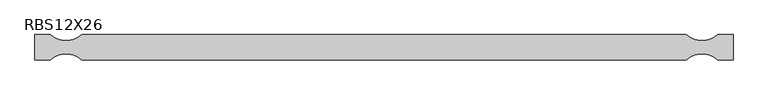
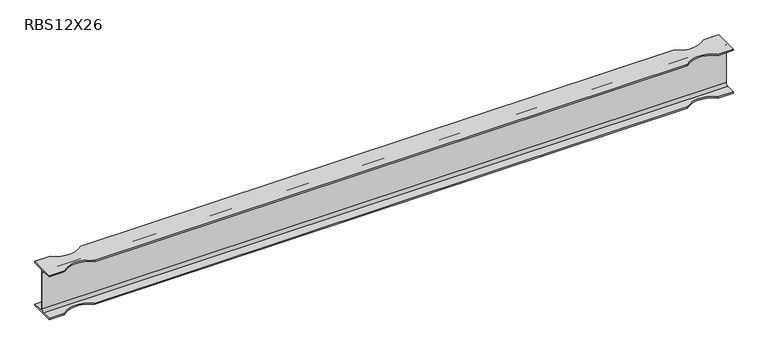
"""IFC4 building model written with IfcOpenShell, lengths in millimetres: beam geometry, RBS12X26."""

from ifc_helpers import new_model, si_unit, frame, origin, place, context, project, spatial, polyline, circle_curve, source, transform, mapped, element, save
from ifc_brep_helpers import plane_surface, revolved_surface, advanced_brep


def rbs12x26_91e9f1b2(model_context):
    return source(origin(), model_context, "Body", "AdvancedBrep", [
        advanced_brep(
        [(2120.9, 82.4011719, -145.5539063), (2120.9, 20.2902344, -145.5539063), (2120.9, 2.9269531, -128.190625), (2120.9, 2.9269531, 128.190625), (2120.9, 20.2902344, 145.5539062), (2120.9, 82.4011719, 145.5539062), (2120.9, 82.4011719, 155.178125), (2120.9, -82.4011719, 155.178125), (2120.9, -82.4011719, 145.5539062), (2120.9, -20.2902344, 145.5539062), (2120.9, -2.9269531, 128.190625), (2120.9, -2.9269531, -128.190625), (2120.9, -20.2902344, -145.5539063), (2120.9, -82.4011719, -145.5539063), (2120.9, -82.4011719, -155.178125), (2120.9, 82.4011719, -155.178125), (-2438.4, 82.4011719, -145.5539063), (-2438.4, 82.4011719, -155.178125), (-2438.4, -82.4011719, -155.178125), (-2438.4, -82.4011719, -145.5539063), (-2438.4, -20.2902344, -145.5539063), (-2438.4, -2.9269531, -128.190625), (-2438.4, -2.9269531, 128.190625), (-2438.4, -20.2902344, 145.5539062), (-2438.4, -82.4011719, 145.5539062), (-2438.4, -82.4011719, 155.178125), (-2438.4, 82.4011719, 155.178125), (-2438.4, 82.4011719, 145.5539062), (-2438.4, 20.2902344, 145.5539062), (-2438.4, 2.9269531, 128.190625), (-2438.4, 2.9269531, -128.190625), (-2438.4, 20.2902344, -145.5539063), (2019.3, 82.4011719, -145.5539063), (1816.1, 82.4011719, -145.5539063), (-2133.6, 82.4011719, -145.5539063), (-2336.8, 82.4011719, -145.5539063), (-2336.8, 82.4011719, 145.5539062), (-2133.6, 82.4011719, 145.5539062), (1816.1, 82.4011719, 145.5539062), (2019.3, 82.4011719, 145.5539062), (2019.3, 82.4011719, 155.178125), (-2336.8, 82.4011719, 155.178125), (-2133.6, 82.4011719, 155.178125), (1816.1, 82.4011719, 155.178125), (-2336.8, -82.4011719, 155.178125), (-2133.6, -82.4011719, 155.178125), (1816.1, -82.4011719, 155.178125), (2019.3, -82.4011719, 155.178125), (2019.3, -82.4011719, 145.5539062), (-2336.8, -82.4011719, 145.5539062), (-2133.6, -82.4011719, 145.5539062), (1816.1, -82.4011719, 145.5539062), (-2336.8, -82.4011719, -145.5539063), (-2133.6, -82.4011719, -145.5539063), (1816.1, -82.4011719, -145.5539063), (2019.3, -82.4011719, -145.5539063), (2019.3, -82.4011719, -155.178125), (-2336.8, -82.4011719, -155.178125), (-2133.6, -82.4011719, -155.178125), (1816.1, -82.4011719, -155.178125), (-2336.8, 82.4011719, -155.178125), (-2133.6, 82.4011719, -155.178125), (1816.1, 82.4011719, -155.178125), (2019.3, 82.4011719, -155.178125)],
        [
            (0, 1),
            (1, 2, circle_curve(frame((2120.9, 20.2902344, -128.190625), z_axis=(-1.0, 0.0, 0.0), x_axis=(0.0, -1.0, 0.0)), 17.3632812)),
            (2, 3),
            (3, 4, circle_curve(frame((2120.9, 20.2902344, 128.190625), z_axis=(-1.0, 0.0, 0.0), x_axis=(0.0, -1.0, 0.0)), 17.3632812)),
            (4, 5),
            (5, 6),
            (6, 7),
            (7, 8),
            (8, 9),
            (9, 10, circle_curve(frame((2120.9, -20.2902344, 128.190625), z_axis=(-1.0, 0.0, 0.0), x_axis=(0.0, -1.0, 0.0)), 17.3632812)),
            (10, 11),
            (11, 12, circle_curve(frame((2120.9, -20.2902344, -128.190625), z_axis=(-1.0, 0.0, 0.0), x_axis=(0.0, -1.0, 0.0)), 17.3632812)),
            (12, 13),
            (13, 14),
            (14, 15),
            (15, 0),
            (16, 17),
            (17, 18),
            (18, 19),
            (19, 20),
            (20, 21, circle_curve(frame((-2438.4, -20.2902344, -128.190625), z_axis=(1.0, 0.0, 0.0), x_axis=(0.0, -1.0, 0.0)), 17.3632812)),
            (21, 22),
            (22, 23, circle_curve(frame((-2438.4, -20.2902344, 128.190625), z_axis=(1.0, 0.0, 0.0), x_axis=(0.0, -1.0, 0.0)), 17.3632812)),
            (23, 24),
            (24, 25),
            (25, 26),
            (26, 27),
            (27, 28),
            (28, 29, circle_curve(frame((-2438.4, 20.2902344, 128.190625), z_axis=(1.0, 0.0, 0.0), x_axis=(0.0, -1.0, 0.0)), 17.3632812)),
            (29, 30),
            (30, 31, circle_curve(frame((-2438.4, 20.2902344, -128.190625), z_axis=(1.0, 0.0, 0.0), x_axis=(0.0, -1.0, 0.0)), 17.3632812)),
            (31, 16),
            (0, 32),
            (32, 33, circle_curve(frame((1917.7, 195.9934251, -145.5539063), z_axis=(0.0, 0.0, -1.0), x_axis=(0.0, 1.0, 0.0)), 152.4)),
            (33, 34),
            (34, 35, circle_curve(frame((-2235.2, 195.9934251, -145.5539063), z_axis=(0.0, 0.0, -1.0), x_axis=(0.0, 1.0, 0.0)), 152.4)),
            (35, 16),
            (31, 1),
            (30, 2),
            (29, 3),
            (28, 4),
            (27, 36),
            (36, 37, circle_curve(frame((-2235.2, 195.9934251, 145.5539062), z_axis=(0.0, 0.0, 1.0), x_axis=(0.0, 1.0, 0.0)), 152.4)),
            (37, 38),
            (38, 39, circle_curve(frame((1917.7, 195.9934251, 145.5539062), z_axis=(0.0, 0.0, 1.0), x_axis=(0.0, 1.0, 0.0)), 152.4)),
            (39, 5),
            (39, 40),
            (40, 6),
            (26, 41),
            (41, 36),
            (37, 42),
            (42, 43),
            (43, 38),
            (40, 43, circle_curve(frame((1917.7, 195.9934251, 155.178125), z_axis=(0.0, 0.0, -1.0), x_axis=(0.0, 1.0, 0.0)), 152.4)),
            (42, 41, circle_curve(frame((-2235.2, 195.9934251, 155.178125), z_axis=(0.0, 0.0, -1.0), x_axis=(0.0, 1.0, 0.0)), 152.4)),
            (25, 44),
            (44, 45, circle_curve(frame((-2235.2, -195.9934251, 155.178125), z_axis=(0.0, 0.0, -1.0), x_axis=(0.0, 1.0, 0.0)), 152.4)),
            (45, 46),
            (46, 47, circle_curve(frame((1917.7, -195.9934251, 155.178125), z_axis=(0.0, 0.0, -1.0), x_axis=(0.0, 1.0, 0.0)), 152.4)),
            (47, 7),
            (47, 48),
            (48, 8),
            (24, 49),
            (49, 44),
            (45, 50),
            (50, 51),
            (51, 46),
            (48, 51, circle_curve(frame((1917.7, -195.9934251, 145.5539062), z_axis=(0.0, 0.0, 1.0), x_axis=(0.0, 1.0, 0.0)), 152.4)),
            (50, 49, circle_curve(frame((-2235.2, -195.9934251, 145.5539062), z_axis=(0.0, 0.0, 1.0), x_axis=(0.0, 1.0, 0.0)), 152.4)),
            (23, 9),
            (22, 10),
            (21, 11),
            (20, 12),
            (19, 52),
            (52, 53, circle_curve(frame((-2235.2, -195.9934251, -145.5539063), z_axis=(0.0, 0.0, -1.0), x_axis=(0.0, 1.0, 0.0)), 152.4)),
            (53, 54),
            (54, 55, circle_curve(frame((1917.7, -195.9934251, -145.5539063), z_axis=(0.0, 0.0, -1.0), x_axis=(0.0, 1.0, 0.0)), 152.4)),
            (55, 13),
            (55, 56),
            (56, 14),
            (18, 57),
            (57, 52),
            (53, 58),
            (58, 59),
            (59, 54),
            (56, 59, circle_curve(frame((1917.7, -195.9934251, -155.178125), z_axis=(0.0, 0.0, 1.0), x_axis=(0.0, 1.0, 0.0)), 152.4)),
            (58, 57, circle_curve(frame((-2235.2, -195.9934251, -155.178125), z_axis=(0.0, 0.0, 1.0), x_axis=(0.0, 1.0, 0.0)), 152.4)),
            (17, 60),
            (60, 61, circle_curve(frame((-2235.2, 195.9934251, -155.178125), z_axis=(0.0, 0.0, 1.0), x_axis=(0.0, 1.0, 0.0)), 152.4)),
            (61, 62),
            (62, 63, circle_curve(frame((1917.7, 195.9934251, -155.178125), z_axis=(0.0, 0.0, 1.0), x_axis=(0.0, 1.0, 0.0)), 152.4)),
            (63, 15),
            (63, 32),
            (35, 60),
            (61, 34),
            (33, 62),
        ],
        [
            plane_surface(frame((2120.9, 0.0, 0.0), z_axis=(1.0, 0.0, 0.0), x_axis=(0.0, 0.0, 1.0))),
            plane_surface(frame((-2438.4, 0.0, 0.0), z_axis=(-1.0, 0.0, 0.0), x_axis=(0.0, 0.0, 1.0))),
            plane_surface(frame((2120.9, 82.4011719, -145.5539063), z_axis=(0.0, 0.0, 1.0), x_axis=(-1.0, 0.0, 0.0))),
            revolved_surface(polyline([(-2438.4, 2.9269532, -128.190625), (2120.9, 2.9269532, -128.190625)]), (2120.9, 20.2902344, -128.190625), (-1.0, 0.0, 0.0)),
            plane_surface(frame((2120.9, 2.9269531, -128.190625), z_axis=(0.0, 1.0, 0.0), x_axis=(-1.0, 0.0, 0.0))),
            revolved_surface(polyline([(-2438.4, 2.9269532, 128.190625), (2120.9, 2.9269532, 128.190625)]), (2120.9, 20.2902344, 128.190625), (-1.0, 0.0, 0.0)),
            plane_surface(frame((2120.9, 20.2902344, 145.5539062), z_axis=(0.0, 0.0, -1.0), x_axis=(-1.0, 0.0, 0.0))),
            plane_surface(frame((2120.9, 82.4011719, 145.5539062), z_axis=(0.0, 1.0, 0.0), x_axis=(-1.0, 0.0, 0.0))),
            plane_surface(frame((2120.9, 82.4011719, 155.178125), z_axis=(0.0, 0.0, 1.0), x_axis=(-1.0, 0.0, 0.0))),
            plane_surface(frame((2120.9, -82.4011719, 155.178125), z_axis=(0.0, -1.0, 0.0), x_axis=(-1.0, 0.0, 0.0))),
            plane_surface(frame((2120.9, -82.4011719, 145.5539062), z_axis=(0.0, 0.0, -1.0), x_axis=(-1.0, 0.0, 0.0))),
            revolved_surface(polyline([(-2438.4, -37.6535156, 128.190625), (2120.9, -37.6535156, 128.190625)]), (2120.9, -20.2902344, 128.190625), (-1.0, 0.0, 0.0)),
            plane_surface(frame((2120.9, -2.9269531, 128.190625), z_axis=(0.0, -1.0, 0.0), x_axis=(-1.0, 0.0, 0.0))),
            revolved_surface(polyline([(-2438.4, -37.6535156, -128.190625), (2120.9, -37.6535156, -128.190625)]), (2120.9, -20.2902344, -128.190625), (-1.0, 0.0, 0.0)),
            plane_surface(frame((2120.9, -20.2902344, -145.5539063), z_axis=(0.0, 0.0, 1.0), x_axis=(-1.0, 0.0, 0.0))),
            plane_surface(frame((2120.9, -82.4011719, -145.5539063), z_axis=(0.0, -1.0, 0.0), x_axis=(-1.0, 0.0, 0.0))),
            plane_surface(frame((2120.9, -82.4011719, -155.178125), z_axis=(0.0, 0.0, -1.0), x_axis=(-1.0, 0.0, 0.0))),
            plane_surface(frame((2120.9, 82.4011719, -155.178125), z_axis=(0.0, 1.0, 0.0), x_axis=(-1.0, 0.0, 0.0))),
            revolved_surface(polyline([(-2235.2, -43.59342509999999, 155.178125), (-2235.2, -43.59342509999999, 145.5539062)]), (-2235.2, -195.9934251, -155.178125), (0.0, 0.0, 1.0)),
            revolved_surface(polyline([(-2235.2, -43.59342509999999, -145.5539063), (-2235.2, -43.59342509999999, -155.178125)]), (-2235.2, -195.9934251, -155.178125), (0.0, 0.0, 1.0)),
            revolved_surface(polyline([(-2235.2, 348.3934251, -145.5539063), (-2235.2, 348.3934251, -155.178125)]), (-2235.2, 195.9934251, -155.178125), (0.0, 0.0, 1.0)),
            revolved_surface(polyline([(-2235.2, 348.3934251, 155.178125), (-2235.2, 348.3934251, 145.5539062)]), (-2235.2, 195.9934251, -155.178125), (0.0, 0.0, 1.0)),
            revolved_surface(polyline([(1917.7, -43.59342509999999, 155.178125), (1917.7, -43.59342509999999, 145.5539062)]), (1917.7, -195.9934251, -155.178125), (0.0, 0.0, 1.0)),
            revolved_surface(polyline([(1917.7, -43.59342509999999, -145.5539063), (1917.7, -43.59342509999999, -155.178125)]), (1917.7, -195.9934251, -155.178125), (0.0, 0.0, 1.0)),
            revolved_surface(polyline([(1917.7, 348.3934251, -145.5539063), (1917.7, 348.3934251, -155.178125)]), (1917.7, 195.9934251, -155.178125), (0.0, 0.0, 1.0)),
            revolved_surface(polyline([(1917.7, 348.3934251, 155.178125), (1917.7, 348.3934251, 145.5539062)]), (1917.7, 195.9934251, -155.178125), (0.0, 0.0, 1.0)),
        ],
        [
            (0, [[1, 2, 3, 4, 5, 6, 7, 8, 9, 10, 11, 12, 13, 14, 15, 16]]),
            (1, [[17, 18, 19, 20, 21, 22, 23, 24, 25, 26, 27, 28, 29, 30, 31, 32]]),
            (2, [[-1, 33, 34, 35, 36, 37, -32, 38]]),
            (3, [[-2, -38, -31, 39]]),
            (4, [[-3, -39, -30, 40]]),
            (5, [[-4, -40, -29, 41]]),
            (6, [[-5, -41, -28, 42, 43, 44, 45, 46]]),
            (7, [[-6, -46, 47, 48]]),
            (7, [[-27, 49, 50, -42]]),
            (7, [[51, 52, 53, -44]]),
            (8, [[-7, -48, 54, -52, 55, -49, -26, 56, 57, 58, 59, 60]]),
            (9, [[-8, -60, 61, 62]]),
            (9, [[-25, 63, 64, -56]]),
            (9, [[65, 66, 67, -58]]),
            (10, [[-9, -62, 68, -66, 69, -63, -24, 70]]),
            (11, [[-10, -70, -23, 71]]),
            (12, [[-11, -71, -22, 72]]),
            (13, [[-12, -72, -21, 73]]),
            (14, [[-13, -73, -20, 74, 75, 76, 77, 78]]),
            (15, [[-14, -78, 79, 80]]),
            (15, [[-19, 81, 82, -74]]),
            (15, [[83, 84, 85, -76]]),
            (16, [[-15, -80, 86, -84, 87, -81, -18, 88, 89, 90, 91, 92]]),
            (17, [[-16, -92, 93, -33]]),
            (17, [[-17, -37, 94, -88]]),
            (17, [[95, -35, 96, -90]]),
            (18, [[-57, -64, -69, -65]]),
            (19, [[-75, -82, -87, -83]]),
            (20, [[-36, -95, -89, -94]]),
            (21, [[-43, -50, -55, -51]]),
            (22, [[-59, -67, -68, -61]]),
            (23, [[-77, -85, -86, -79]]),
            (24, [[-34, -93, -91, -96]]),
            (25, [[-45, -53, -54, -47]]),
        ],
    ),
    ])


if __name__ == "__main__":
    model = new_model("IFC4")
    model_context = context("Model", 3, world=origin())
    ifc_project = project(units=[si_unit("LENGTHUNIT", "METRE", prefix="MILLI")], contexts=[model_context])
    site = spatial("IfcSite", under=ifc_project)
    building = spatial("IfcBuilding", under=site)
    placement = place(None, origin())
    rbs12x26_shape = rbs12x26_91e9f1b2(model_context)
    element("IfcBeam", 1, ObjectType="RBS12X26", at=placement, inside=building, context=model_context, shape_type="MappedRepresentation", body=[
        mapped(rbs12x26_shape, transform((0.0, 0.0, 0.0), x_axis=(1.0, 0.0, 0.0), y_axis=(0.0, 1.0, 0.0), z_axis=(0.0, 0.0, 1.0))),
    ])
    save(model, "model.ifc")
